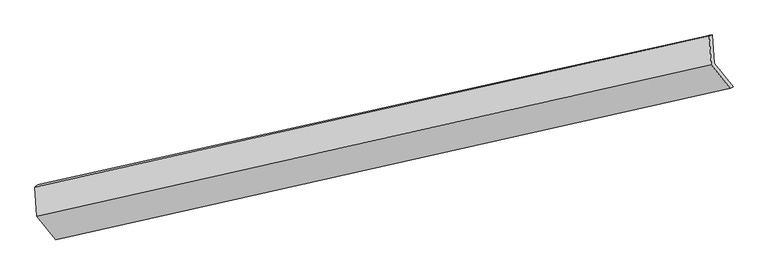
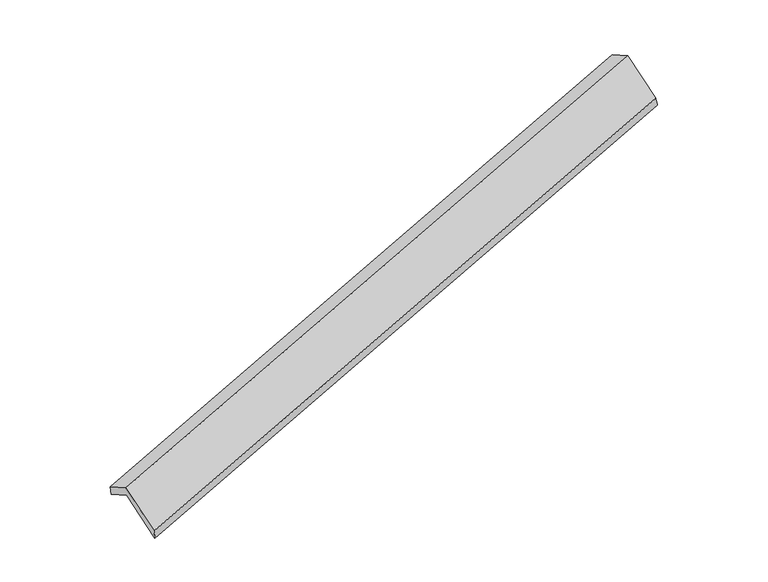
"""IFC4 building model written with IfcOpenShell, lengths in millimetres: proxy geometry."""

from ifc_helpers import new_model, si_unit, frame, origin, place, context, project, spatial, source, transform, mapped, element, save
from ifc_brep_helpers import plane_surface, spline_surface, advanced_brep


def generic_models_f15d8ea3(model_context):
    return source(origin(), model_context, "Body", "AdvancedBrep", [
        advanced_brep(
        [(-7521.2006481, -2530.8646314, 703.2552516), (-7543.2731971, -2147.4279139, 495.5816425), (1657.1205133, -105.4287774, 3340.5115856), (1679.4458269, -493.2564354, 3550.5633771), (-7584.7728895, -2182.208979, 656.2193572), (1617.6177316, -118.165834, 3478.5644816), (-7561.9819828, -2578.1247589, 870.6517659), (1640.4086383, -514.0816139, 3692.9968903), (-7298.4616502, -2900.7570537, 246.953675), (1900.4154722, -832.4122742, 3077.6145236), (-7257.3409766, -2853.9123844, 78.7540157), (1939.7919997, -812.002554, 2934.3778654)],
        [
            (0, 1),
            (1, 2),
            (2, 3),
            (3, 0),
            (1, 4),
            (4, 5),
            (5, 2),
            (4, 6),
            (6, 7),
            (7, 5),
            (6, 8),
            (8, 9),
            (9, 7),
            (8, 10),
            (10, 11),
            (11, 9),
            (10, 0),
            (3, 11),
        ],
        [
            plane_surface(frame((-7532.2369226, -2339.1462727, 599.418447), z_axis=(0.35245138148483224, -0.4299166545082229, -0.8312338382584594), x_axis=(-0.05055293070555793, 0.8781880987828456, -0.47563648341275294))),
            spline_surface(1, 1, [[(-7543.2731971, -2147.4279139, 495.5816425), (1657.1205133, -105.4287774, 3340.5115856)], [(-7584.7728895, -2182.208979, 656.2193572), (1617.6177316, -118.165834, 3478.5644816)]], [2, 2], [2, 2], [0.0, 1.0], [0.0, 1.0]),
            plane_surface(frame((-7573.3774361, -2380.166869, 763.4355616), z_axis=(-0.351501955065845, 0.4301294090324543, 0.83152574648671), x_axis=(0.05055293070553861, -0.8781880987828455, 0.47563648341275516))),
            plane_surface(frame((-7430.2218165, -2739.4409063, 558.8027205), z_axis=(0.05102775738542141, -0.8780817546900849, 0.47578209303902586), x_axis=(0.35134986501531384, -0.43016344171521315, -0.8315724176314672))),
            spline_surface(1, 1, [[(-7298.4616502, -2900.7570537, 246.953675), (1900.4154722, -832.4122742, 3077.6145236)], [(-7257.3409766, -2853.9123844, 78.7540157), (1939.7919997, -812.002554, 2934.3778654)]], [2, 2], [2, 2], [0.0, 1.0], [0.0, 1.0]),
            plane_surface(frame((-7389.2708124, -2692.3885079, 391.0046337), z_axis=(-0.04770370962393153, 0.8788214029900588, -0.4747602529010833), x_axis=(-0.35134986501533483, 0.43016344171519655, 0.8315724176314669))),
            plane_surface(frame((1739.1333637, -479.2245815, 3345.7714539), z_axis=(0.934878427150198, 0.20915323704822186, 0.2868052473045472), x_axis=(0.2626046924100975, 0.13611378756108827, -0.9552548415789229))),
            plane_surface(frame((-7461.1718907, -2532.2159536, 508.5692847), z_axis=(-0.9348784271501897, -0.20915323704832364, -0.28680524730450035), x_axis=(0.35134986501534277, -0.4301634417152076, -0.8315724176314578))),
        ],
        [
            (0, [[1, 2, 3, 4]]),
            (1, [[5, 6, 7, -2]]),
            (2, [[8, 9, 10, -6]]),
            (3, [[11, 12, 13, -9]]),
            (4, [[14, 15, 16, -12]]),
            (5, [[17, -4, 18, -15]]),
            (6, [[-16, -18, -3, -7, -10, -13]]),
            (7, [[-17, -14, -11, -8, -5, -1]]),
        ],
    ),
    ])


if __name__ == "__main__":
    model = new_model("IFC4")
    model_context = context("Model", 3, world=origin())
    ifc_project = project(units=[si_unit("LENGTHUNIT", "METRE", prefix="MILLI")], contexts=[model_context])
    site = spatial("IfcSite", under=ifc_project)
    building = spatial("IfcBuilding", under=site)
    placement = place(None, origin())
    generic_models_shape = generic_models_f15d8ea3(model_context)
    element("IfcBuildingElementProxy", 1, Name="Generic Models", at=placement, inside=building, context=model_context, shape_type="MappedRepresentation", body=[
        mapped(generic_models_shape, transform((0.0, 0.0, 0.0), x_axis=(1.0, 0.0, 0.0), y_axis=(0.0, 1.0, 0.0), z_axis=(0.0, 0.0, 1.0))),
    ])
    save(model, "model.ifc")
